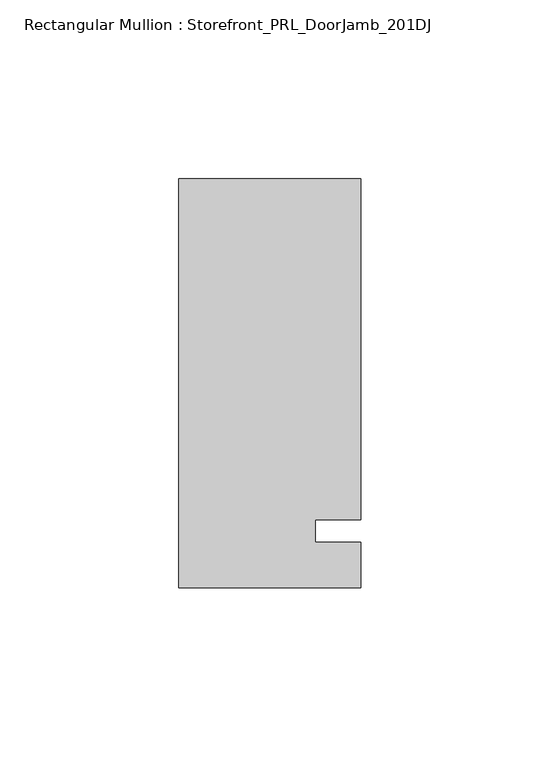
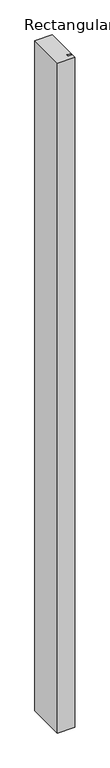
"""IFC4 building model written with IfcOpenShell, lengths in millimetres: member geometry, Rectangular Mullion : Storefront_PRL_DoorJamb_201DJ."""

from ifc_helpers import new_model, si_unit, frame, origin, place, context, project, spatial, polyline, outline, extrude, source, transform, mapped, element, save


def rectangular_mullion_storefront_prl_doorjamb_201dj_6c18e53b(model_context):
    return source(origin(), model_context, "Body", "SweptSolid", [
        extrude(outline(polyline([(12.7, 3.175), (12.7, -3.175), (25.4, -3.175), (25.4, -15.875), (-25.4, -15.875), (-25.4, 98.425), (25.4, 98.425), (25.4, 3.175), (12.7, 3.175)])), frame((0.0, 0.0, -2076.45), z_axis=(0.0, 0.0, 1.0), x_axis=(1.0, 0.0, 0.0)), (0.0, 0.0, 1.0), 2076.45),
    ])


if __name__ == "__main__":
    model = new_model("IFC4")
    model_context = context("Model", 3, world=origin())
    ifc_project = project(units=[si_unit("LENGTHUNIT", "METRE", prefix="MILLI")], contexts=[model_context])
    site = spatial("IfcSite", under=ifc_project)
    building = spatial("IfcBuilding", under=site)
    placement = place(None, origin())
    rectangular_mullion_storefront_prl_doorjamb_201dj_shape = rectangular_mullion_storefront_prl_doorjamb_201dj_6c18e53b(model_context)
    element("IfcMember", 1, ObjectType="Rectangular Mullion : Storefront_PRL_DoorJamb_201DJ", at=placement, inside=building, context=model_context, shape_type="MappedRepresentation", body=[
        mapped(rectangular_mullion_storefront_prl_doorjamb_201dj_shape, transform((0.0, 0.0, 0.0), x_axis=(1.0, 0.0, 0.0), y_axis=(0.0, 1.0, 0.0), z_axis=(0.0, 0.0, 1.0))),
    ])
    save(model, "model.ifc")
